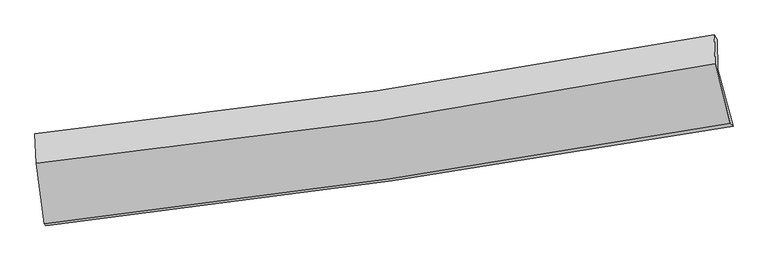
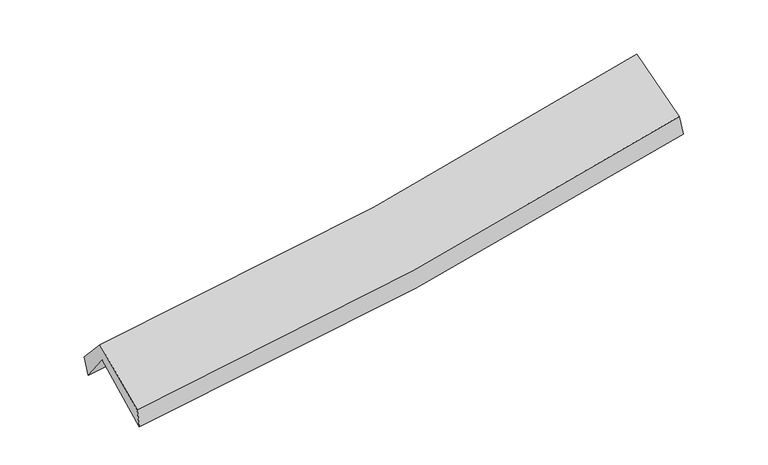
"""IFC4 building model written with IfcOpenShell, lengths in millimetres: proxy geometry."""

from ifc_helpers import new_model, si_unit, frame, origin, place, context, project, spatial, source, transform, mapped, element, save
from ifc_brep_helpers import plane_surface, spline_curve, spline_surface, advanced_brep


def generic_models_1163091b(model_context):
    return source(origin(), model_context, "Body", "AdvancedBrep", [
        advanced_brep(
        [(-2904.6101972, -2497.9210719, 1470.9772768), (-2976.9350039, -1984.1137823, 1892.6323735), (2901.0736746, -1144.1930274, 2406.1536996), (3032.8329762, -1638.7859049, 1970.8770473), (-2982.8828806, -1752.4963848, 1589.3624112), (2894.9770917, -889.6764193, 2080.2843885), (-2997.0670067, -1701.1840173, 1760.314234), (2868.8335616, -849.4457404, 2253.1509544), (-2987.541775, -1957.5871188, 2041.6066449), (2878.5396558, -1099.5794893, 2540.3091057), (-2915.7868551, -2478.1985185, 1642.6422388), (3008.4271373, -1610.4608976, 2146.0438105)],
        [
            (0, 1),
            (1, 2, spline_curve(3, [(-2976.9350039, -1984.1137823, 1892.6323735), (-1984.634306505, -1887.948347927, 1942.602410035), (-996.930644828, -1769.545739195, 2010.596122516), (962.340891106, -1489.259229436, 2182.023529358), (1933.973455824, -1327.688253511, 2285.20359264), (2901.0736746, -1144.1930274, 2406.1536996)], [4, 2, 4], [0.0, 9.865054991198795, 19.66045283474014])),
            (2, 3),
            (3, 0, spline_curve(3, [(3032.8329762, -1638.7859049, 1970.8770473), (2055.061378701, -1810.251985419, 1847.047788194), (1073.156379926, -1967.376953736, 1743.550149046), (-905.932348526, -2253.960033495, 1576.626698985), (-1903.175074134, -2383.213453791, 1513.491081494), (-2904.6101972, -2497.9210719, 1470.9772768)], [4, 2, 4], [0.0, 9.795397843541346, 19.66045283474014])),
            (1, 4),
            (4, 5, spline_curve(3, [(-2982.8828806, -1752.4963848, 1589.3624112), (-1991.930835502, -1638.510988814, 1629.878022643), (-1004.911591311, -1509.308153577, 1691.264623418), (954.319723293, -1221.487356696, 1855.198981789), (1926.587136247, -1063.083536655, 1957.453040253), (2894.9770917, -889.6764193, 2080.2843885)], [4, 2, 4], [0.0, 9.816608882034737, 19.56390269436116])),
            (5, 2),
            (4, 6),
            (6, 7, spline_curve(3, [(-2997.0670067, -1701.1840173, 1760.314234), (-2008.314016002, -1597.920497851, 1814.380590787), (-1023.394094934, -1474.989636616, 1882.679253531), (931.852155033, -1190.800116015, 2047.158439348), (1902.232423289, -1029.818218397, 2143.138683576), (2868.8335616, -849.4457404, 2253.1509544)], [4, 2, 4], [0.0, 9.806100681051483, 19.542960490795792])),
            (7, 5),
            (6, 8),
            (8, 9, spline_curve(3, [(-2987.541775, -1957.5871188, 2041.6066449), (-1997.475405844, -1857.844835423, 2090.428290526), (-1011.88594311, -1736.142199604, 2156.606170193), (943.411533912, -1449.830627275, 2323.084562879), (1913.182548216, -1285.530720056, 2423.140836891), (2878.5396558, -1099.5794893, 2540.3091057)], [4, 2, 4], [0.0, 9.79689282135129, 19.52460978808749])),
            (9, 7),
            (8, 10),
            (10, 11, spline_curve(3, [(-2915.7868551, -2478.1985185, 1642.6422388), (-1916.419239074, -2364.834931194, 1688.420436804), (-921.316862219, -2235.529185284, 1753.476356454), (1053.361114549, -1946.058971487, 1921.548159154), (2032.996734661, -1786.118843612, 2024.292763454), (3008.4271373, -1610.4608976, 2146.0438105)], [4, 2, 4], [0.0, 9.846903730799392, 19.62427847998065])),
            (11, 9),
            (10, 0),
            (3, 11),
        ],
        [
            spline_surface(3, 3, [[(-2904.6101972, -2497.9210719, 1470.9772768), (-1903.175074172, -2383.213453912, 1513.491081411), (-905.932348532, -2253.9600334, 1576.62669907), (1073.156379933, -1967.376953831, 1743.550148961), (2055.061378746, -1810.251985311, 1847.047788145), (3032.8329762, -1638.7859049, 1970.8770473)], [(-2928.718466117, -2326.65197536, 1611.528975696), (-1930.328151616, -2218.125085283, 1656.528190975), (-936.265113982, -2092.488601956, 1721.283173531), (1036.217883675, -1808.004379041, 1889.707942482), (2014.698737729, -1649.397408015, 1993.099722948), (2988.91320899, -1473.921612398, 2115.969264731)], [(-2952.826734983, -2155.38287884, 1752.080674604), (-1957.481229011, -2053.036716673, 1799.565300553), (-966.597879433, -1931.017170562, 1865.93964794), (999.279387417, -1648.631804302, 2035.865735951), (1974.336096743, -1488.542830726, 2139.151657759), (2944.99344181, -1309.057319902, 2261.061482169)], [(-2976.9350039, -1984.1137823, 1892.6323735), (-1984.634306455, -1887.948348044, 1942.602410118), (-996.930644882, -1769.545739119, 2010.596122401), (962.34089116, -1489.259229512, 2182.023529472), (1933.973455727, -1327.68825343, 2285.203592562), (2901.0736746, -1144.1930274, 2406.1536996)]], [4, 4], [4, 2, 4], [0.0, 2.156592335026864], [0.0, 9.865054991198795, 19.66045283474014]),
            spline_surface(3, 3, [[(-2976.9350039, -1984.1137823, 1892.6323735), (-1984.634306455, -1887.948348044, 1942.602410118), (-996.930644882, -1769.545739119, 2010.596122401), (962.34089116, -1489.259229512, 2182.023529472), (1933.973455727, -1327.68825343, 2285.203592562), (2901.0736746, -1144.1930274, 2406.1536996)], [(-2978.917629439, -1906.907983149, 1791.542386049), (-1987.066482811, -1804.802561641, 1838.360947623), (-999.59096032, -1682.799877295, 1904.15228935), (959.667168537, -1400.001938522, 2073.082013596), (1931.511349262, -1239.486681125, 2175.953408485), (2899.041480292, -1059.35415804, 2297.530595877)], [(-2980.900255061, -1829.702183951, 1690.452398651), (-1989.49865925, -1721.656775193, 1734.119485182), (-1002.251275814, -1596.054015514, 1797.708456356), (956.993445857, -1310.744647574, 1964.140497777), (1929.04924282, -1151.2851088, 2066.703224476), (2897.009286008, -974.51528866, 2188.907492223)], [(-2982.8828806, -1752.4963848, 1589.3624112), (-1991.930835607, -1638.51098879, 1629.878022686), (-1004.911591251, -1509.308153691, 1691.264623305), (954.319723234, -1221.487356584, 1855.198981901), (1926.587136355, -1063.083536494, 1957.453040399), (2894.9770917, -889.6764193, 2080.2843885)]], [4, 4], [4, 2, 4], [0.0, 1.3689811742859364], [0.0, 9.816608882034737, 19.56390269436116]),
            spline_surface(3, 3, [[(-2982.8828806, -1752.4963848, 1589.3624112), (-1991.930835607, -1638.51098879, 1629.878022686), (-1004.911591251, -1509.308153691, 1691.264623305), (954.319723234, -1221.487356584, 1855.198981901), (1926.587136355, -1063.083536494, 1957.453040399), (2894.9770917, -889.6764193, 2080.2843885)], [(-2987.610922651, -1735.392262298, 1646.346352125), (-1997.391895804, -1624.98082515, 1691.378878736), (-1011.072425825, -1497.868647996, 1755.069500046), (946.830533818, -1211.258276398, 1919.185467717), (1918.468898662, -1051.995097092, 2019.34825476), (2886.262581688, -876.266192985, 2137.906577137)], [(-2992.338964649, -1718.288139802, 1703.330293075), (-2002.852955948, -1611.450661516, 1752.879734811), (-1017.233260355, -1486.4291423, 1818.874376788), (939.341344445, -1201.029196212, 1983.171953533), (1910.350660905, -1040.906657735, 2081.243469112), (2877.548071612, -862.855966715, 2195.528765763)], [(-2997.0670067, -1701.1840173, 1760.314234), (-2008.314016145, -1597.920497876, 1814.380590861), (-1023.394094929, -1474.989636605, 1882.67925353), (931.852155029, -1190.800116026, 2047.158439349), (1902.232423212, -1029.818218334, 2143.138683473), (2868.8335616, -849.4457404, 2253.1509544)]], [4, 4], [4, 2, 4], [0.0, 0.641393886963571], [0.0, 9.806100681051483, 19.542960490795792]),
            spline_surface(3, 3, [[(-2997.0670067, -1701.1840173, 1760.314234), (-2008.314016145, -1597.920497876, 1814.380590861), (-1023.394094929, -1474.989636605, 1882.67925353), (931.852155029, -1190.800116026, 2047.158439349), (1902.232423212, -1029.818218334, 2143.138683473), (2868.8335616, -849.4457404, 2253.1509544)], [(-2993.891929457, -1786.651717786, 1854.078370982), (-2004.70114607, -1684.561943739, 1906.396490744), (-1019.558044371, -1562.040490972, 1973.988225729), (935.70528136, -1277.143619804, 2139.133813936), (1905.882464888, -1115.055718874, 2236.47273468), (2872.068926328, -932.823656687, 2348.870338187)], [(-2990.716852243, -1872.119418314, 1947.842507918), (-2001.088276025, -1771.203389645, 1998.412390582), (-1015.721993796, -1649.091345246, 2065.297197845), (939.558407707, -1363.487123488, 2231.10918844), (1909.532506579, -1200.293219453, 2329.806785826), (2875.304291072, -1016.201573013, 2444.589721913)], [(-2987.541775, -1957.5871188, 2041.6066449), (-1997.475405951, -1857.844835507, 2090.428290466), (-1011.885943238, -1736.142199613, 2156.606170044), (943.411534039, -1449.830627266, 2323.084563027), (1913.182548255, -1285.530719994, 2423.140837033), (2878.5396558, -1099.5794893, 2540.3091057)]], [4, 4], [4, 2, 4], [0.0, 1.2422442578721393], [0.0, 9.79689282135129, 19.52460978808749]),
            spline_surface(3, 3, [[(-2987.541775, -1957.5871188, 2041.6066449), (-1997.475405951, -1857.844835507, 2090.428290466), (-1011.885943238, -1736.142199613, 2156.606170044), (943.411534039, -1449.830627266, 2323.084563027), (1913.182548255, -1285.530719994, 2423.140837033), (2878.5396558, -1099.5794893, 2540.3091057)], [(-2963.62346838, -2131.124252063, 1908.618509538), (-1970.456683713, -2026.841534115, 1956.425672583), (-981.696249488, -1902.604528168, 2022.229565499), (980.061394177, -1615.240075289, 2189.239095055), (1953.120610396, -1452.393427912, 2290.191479147), (2921.835482967, -1269.873292093, 2408.887340612)], [(-2939.70516172, -2304.661385237, 1775.630374162), (-1943.437961435, -2195.838232633, 1822.423054685), (-951.506555804, -2069.066856803, 1887.852960998), (1016.711254248, -1780.649523391, 2055.393627127), (1993.058672538, -1619.256135752, 2157.242121326), (2965.131310133, -1440.167094807, 2277.465575588)], [(-2915.7868551, -2478.1985185, 1642.6422388), (-1916.419239197, -2364.83493124, 1688.420436803), (-921.316862055, -2235.529185358, 1753.476356453), (1053.361114386, -1946.058971414, 1921.548159154), (2032.996734679, -1786.11884367, 2024.292763441), (3008.4271373, -1610.4608976, 2146.0438105)]], [4, 4], [4, 2, 4], [0.0, 2.1255650524765555], [0.0, 9.846903730799392, 19.62427847998065]),
            spline_surface(3, 3, [[(-2915.7868551, -2478.1985185, 1642.6422388), (-1916.419239197, -2364.83493124, 1688.420436803), (-921.316862055, -2235.529185358, 1753.476356453), (1053.361114386, -1946.058971414, 1921.548159154), (2032.996734679, -1786.11884367, 2024.292763441), (3008.4271373, -1610.4608976, 2146.0438105)], [(-2912.061302456, -2484.772702944, 1585.42058481), (-1912.004517512, -2370.961105442, 1630.110651682), (-916.188690902, -2241.672801398, 1694.526470648), (1059.959536213, -1953.164965578, 1862.215489079), (2040.351616037, -1794.163224214, 1965.211105032), (3016.562416935, -1619.902566697, 2087.654889457)], [(-2908.335749844, -2491.346887456, 1528.19893079), (-1907.589795857, -2377.087279711, 1571.800866531), (-911.060519685, -2247.816417361, 1635.576584875), (1066.557958106, -1960.270959666, 1802.882819036), (2047.706497388, -1802.207604767, 1906.129446553), (3024.697696565, -1629.344235803, 2029.265968343)], [(-2904.6101972, -2497.9210719, 1470.9772768), (-1903.175074172, -2383.213453912, 1513.491081411), (-905.932348532, -2253.9600334, 1576.62669907), (1073.156379933, -1967.376953831, 1743.550148961), (2055.061378746, -1810.251985311, 1847.047788145), (3032.8329762, -1638.7859049, 1970.8770473)]], [4, 4], [4, 2, 4], [0.0, 0.5885537633695275], [0.0, 9.904672490114784, 19.739408093434907]),
            plane_surface(frame((2930.7806829, -1205.3569132, 2232.8031677), z_axis=(0.9802528672278327, 0.1643260268204926, 0.11000578712506101), x_axis=(0.19731726468880867, -0.7761003671618046, -0.5989441686393139))),
            plane_surface(frame((-2960.8039531, -2061.9168156, 1732.9225299), z_axis=(-0.9939470796973119, -0.09583979965235151, -0.05370228639250836), x_axis=(-0.06454701817277098, 0.11390095466892847, 0.9913930880183253))),
        ],
        [
            (0, [[1, 2, 3, 4]]),
            (1, [[5, 6, 7, -2]]),
            (2, [[8, 9, 10, -6]]),
            (3, [[11, 12, 13, -9]]),
            (4, [[14, 15, 16, -12]]),
            (5, [[17, -4, 18, -15]]),
            (6, [[-16, -18, -3, -7, -10, -13]]),
            (7, [[-17, -14, -11, -8, -5, -1]]),
        ],
    ),
    ])


if __name__ == "__main__":
    model = new_model("IFC4")
    model_context = context("Model", 3, world=origin())
    ifc_project = project(units=[si_unit("LENGTHUNIT", "METRE", prefix="MILLI")], contexts=[model_context])
    site = spatial("IfcSite", under=ifc_project)
    building = spatial("IfcBuilding", under=site)
    placement = place(None, origin())
    generic_models_shape = generic_models_1163091b(model_context)
    element("IfcBuildingElementProxy", 1, Name="Generic Models", at=placement, inside=building, context=model_context, shape_type="MappedRepresentation", body=[
        mapped(generic_models_shape, transform((0.0, 0.0, 0.0), x_axis=(1.0, 0.0, 0.0), y_axis=(0.0, 1.0, 0.0), z_axis=(0.0, 0.0, 1.0))),
    ])
    save(model, "model.ifc")
